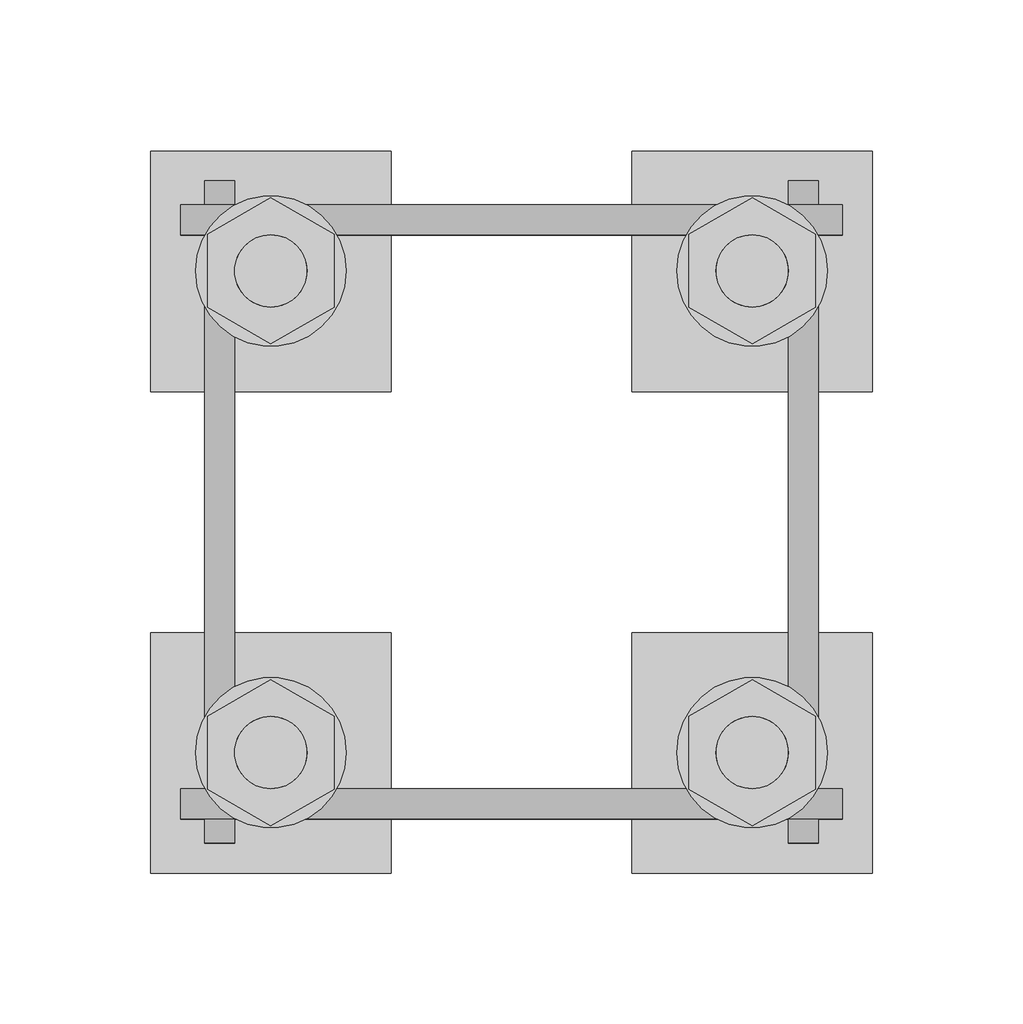
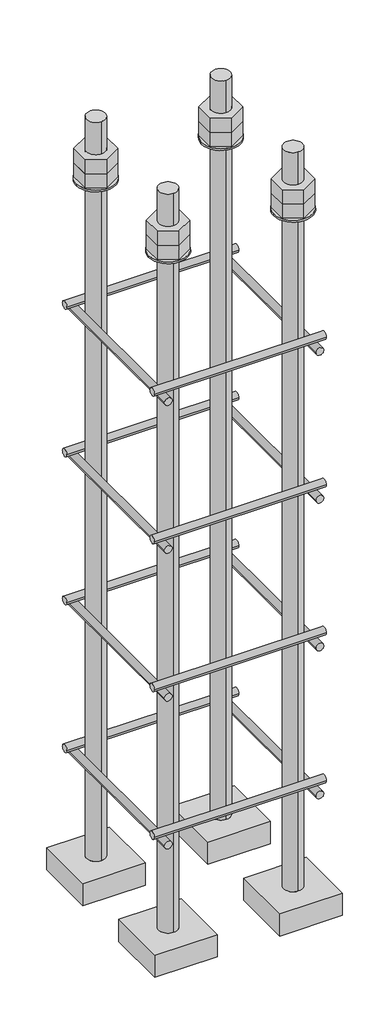
# One storey, part 22 of 66: 1 fastener.
"""IFC4 building model written with IfcOpenShell, lengths in millimetres."""

from ifc_helpers import new_model, si_unit, point, frame, frame_2d, origin, place, context, project, spatial, polyline, circle_curve, trimmed, segment, composite_curve, outline, extrude, element, save
from ifc_brep_helpers import plane_surface, cylinder_surface, advanced_brep

model = new_model("IFC4")

# Units and contexts
model_context = context("Model", 3, world=origin())
ifc_project = project(units=[si_unit("LENGTHUNIT", "METRE", prefix="MILLI")], contexts=[model_context])

# Site, building, storey
site = spatial("IfcSite", under=ifc_project)
building = spatial("IfcBuilding", under=site)
storey = spatial("IfcBuildingStorey", under=building, Elevation=9070.0)

# Fastener
placement = place(None, origin())
element("IfcFastener", 1, ObjectType="AU1 : AU-01", at=placement, inside=storey, context=model_context, shape_type="SolidModel", body=[
    extrude(outline(composite_curve([segment(trimmed(circle_curve(frame_2d((11343.0, 8595.0)), 5.0), [point((11338.0, 8595.0))], [point((11348.0, 8595.0))], False, "CARTESIAN"), True, "CONTINUOUS"), segment(trimmed(circle_curve(frame_2d((11343.0, 8595.0)), 5.0), [point((11348.0, 8595.0))], [point((11338.0, 8595.0))], False, "CARTESIAN"), True, "CONTINUOUS")], self_intersect=False)), frame((53040.0, 0.0, 0.0), z_axis=(1.0, 0.0, 0.0), x_axis=(0.0, 1.0, 0.0)), (0.0, 0.0, 1.0), 220.0),
    extrude(outline(composite_curve([segment(trimmed(circle_curve(frame_2d((11537.0, 8595.0)), 5.0), [point((11542.0, 8595.0))], [point((11532.0, 8595.0))], False, "CARTESIAN"), True, "CONTINUOUS"), segment(trimmed(circle_curve(frame_2d((11537.0, 8595.0)), 5.0), [point((11532.0, 8595.0))], [point((11542.0, 8595.0))], False, "CARTESIAN"), True, "CONTINUOUS")], self_intersect=False)), frame((53040.0, 0.0, 0.0), z_axis=(1.0, 0.0, 0.0), x_axis=(0.0, 1.0, 0.0)), (0.0, 0.0, 1.0), 220.0),
    extrude(outline(composite_curve([segment(trimmed(circle_curve(frame_2d((8585.0, 53053.0)), 5.0), [point((8585.0, 53048.0))], [point((8585.0, 53058.0))], False, "CARTESIAN"), True, "CONTINUOUS"), segment(trimmed(circle_curve(frame_2d((8585.0, 53053.0)), 5.0), [point((8585.0, 53058.0))], [point((8585.0, 53048.0))], False, "CARTESIAN"), True, "CONTINUOUS")], self_intersect=False)), frame((0.0, 11330.0, 0.0), z_axis=(0.0, 1.0, 0.0), x_axis=(0.0, 0.0, 1.0)), (0.0, 0.0, 1.0), 220.0),
    extrude(outline(composite_curve([segment(trimmed(circle_curve(frame_2d((8585.0, 53247.0)), 5.0), [point((8585.0, 53252.0))], [point((8585.0, 53242.0))], False, "CARTESIAN"), True, "CONTINUOUS"), segment(trimmed(circle_curve(frame_2d((8585.0, 53247.0)), 5.0), [point((8585.0, 53242.0))], [point((8585.0, 53252.0))], False, "CARTESIAN"), True, "CONTINUOUS")], self_intersect=False)), frame((0.0, 11330.0, 0.0), z_axis=(0.0, 1.0, 0.0), x_axis=(0.0, 0.0, 1.0)), (0.0, 0.0, 1.0), 220.0),
    extrude(outline(composite_curve([segment(trimmed(circle_curve(frame_2d((11343.0, 8795.0)), 5.0), [point((11338.0, 8795.0))], [point((11348.0, 8795.0))], False, "CARTESIAN"), True, "CONTINUOUS"), segment(trimmed(circle_curve(frame_2d((11343.0, 8795.0)), 5.0), [point((11348.0, 8795.0))], [point((11338.0, 8795.0))], False, "CARTESIAN"), True, "CONTINUOUS")], self_intersect=False)), frame((53040.0, 0.0, 0.0), z_axis=(1.0, 0.0, 0.0), x_axis=(0.0, 1.0, 0.0)), (0.0, 0.0, 1.0), 220.0),
    extrude(outline(composite_curve([segment(trimmed(circle_curve(frame_2d((11537.0, 8795.0)), 5.0), [point((11542.0, 8795.0))], [point((11532.0, 8795.0))], False, "CARTESIAN"), True, "CONTINUOUS"), segment(trimmed(circle_curve(frame_2d((11537.0, 8795.0)), 5.0), [point((11532.0, 8795.0))], [point((11542.0, 8795.0))], False, "CARTESIAN"), True, "CONTINUOUS")], self_intersect=False)), frame((53040.0, 0.0, 0.0), z_axis=(1.0, 0.0, 0.0), x_axis=(0.0, 1.0, 0.0)), (0.0, 0.0, 1.0), 220.0),
    extrude(outline(composite_curve([segment(trimmed(circle_curve(frame_2d((8785.0, 53053.0)), 5.0), [point((8785.0, 53048.0))], [point((8785.0, 53058.0))], False, "CARTESIAN"), True, "CONTINUOUS"), segment(trimmed(circle_curve(frame_2d((8785.0, 53053.0)), 5.0), [point((8785.0, 53058.0))], [point((8785.0, 53048.0))], False, "CARTESIAN"), True, "CONTINUOUS")], self_intersect=False)), frame((0.0, 11330.0, 0.0), z_axis=(0.0, 1.0, 0.0), x_axis=(0.0, 0.0, 1.0)), (0.0, 0.0, 1.0), 220.0),
    extrude(outline(composite_curve([segment(trimmed(circle_curve(frame_2d((8785.0, 53247.0)), 5.0), [point((8785.0, 53252.0))], [point((8785.0, 53242.0))], False, "CARTESIAN"), True, "CONTINUOUS"), segment(trimmed(circle_curve(frame_2d((8785.0, 53247.0)), 5.0), [point((8785.0, 53242.0))], [point((8785.0, 53252.0))], False, "CARTESIAN"), True, "CONTINUOUS")], self_intersect=False)), frame((0.0, 11330.0, 0.0), z_axis=(0.0, 1.0, 0.0), x_axis=(0.0, 0.0, 1.0)), (0.0, 0.0, 1.0), 220.0),
    extrude(outline(composite_curve([segment(trimmed(circle_curve(frame_2d((11343.0, 8995.0)), 5.0), [point((11338.0, 8995.0))], [point((11348.0, 8995.0))], False, "CARTESIAN"), True, "CONTINUOUS"), segment(trimmed(circle_curve(frame_2d((11343.0, 8995.0)), 5.0), [point((11348.0, 8995.0))], [point((11338.0, 8995.0))], False, "CARTESIAN"), True, "CONTINUOUS")], self_intersect=False)), frame((53040.0, 0.0, 0.0), z_axis=(1.0, 0.0, 0.0), x_axis=(0.0, 1.0, 0.0)), (0.0, 0.0, 1.0), 220.0),
    extrude(outline(composite_curve([segment(trimmed(circle_curve(frame_2d((11537.0, 8995.0)), 5.0), [point((11542.0, 8995.0))], [point((11532.0, 8995.0))], False, "CARTESIAN"), True, "CONTINUOUS"), segment(trimmed(circle_curve(frame_2d((11537.0, 8995.0)), 5.0), [point((11532.0, 8995.0))], [point((11542.0, 8995.0))], False, "CARTESIAN"), True, "CONTINUOUS")], self_intersect=False)), frame((53040.0, 0.0, 0.0), z_axis=(1.0, 0.0, 0.0), x_axis=(0.0, 1.0, 0.0)), (0.0, 0.0, 1.0), 220.0),
    extrude(outline(composite_curve([segment(trimmed(circle_curve(frame_2d((8985.0, 53053.0)), 5.0), [point((8985.0, 53048.0))], [point((8985.0, 53058.0))], False, "CARTESIAN"), True, "CONTINUOUS"), segment(trimmed(circle_curve(frame_2d((8985.0, 53053.0)), 5.0), [point((8985.0, 53058.0))], [point((8985.0, 53048.0))], False, "CARTESIAN"), True, "CONTINUOUS")], self_intersect=False)), frame((0.0, 11330.0, 0.0), z_axis=(0.0, 1.0, 0.0), x_axis=(0.0, 0.0, 1.0)), (0.0, 0.0, 1.0), 220.0),
    extrude(outline(composite_curve([segment(trimmed(circle_curve(frame_2d((8985.0, 53247.0)), 5.0), [point((8985.0, 53252.0))], [point((8985.0, 53242.0))], False, "CARTESIAN"), True, "CONTINUOUS"), segment(trimmed(circle_curve(frame_2d((8985.0, 53247.0)), 5.0), [point((8985.0, 53242.0))], [point((8985.0, 53252.0))], False, "CARTESIAN"), True, "CONTINUOUS")], self_intersect=False)), frame((0.0, 11330.0, 0.0), z_axis=(0.0, 1.0, 0.0), x_axis=(0.0, 0.0, 1.0)), (0.0, 0.0, 1.0), 220.0),
    extrude(outline(composite_curve([segment(trimmed(circle_curve(frame_2d((11343.0, 9195.0)), 5.0), [point((11338.0, 9195.0))], [point((11348.0, 9195.0))], False, "CARTESIAN"), True, "CONTINUOUS"), segment(trimmed(circle_curve(frame_2d((11343.0, 9195.0)), 5.0), [point((11348.0, 9195.0))], [point((11338.0, 9195.0))], False, "CARTESIAN"), True, "CONTINUOUS")], self_intersect=False)), frame((53040.0, 0.0, 0.0), z_axis=(1.0, 0.0, 0.0), x_axis=(0.0, 1.0, 0.0)), (0.0, 0.0, 1.0), 220.0),
    extrude(outline(composite_curve([segment(trimmed(circle_curve(frame_2d((11537.0, 9195.0)), 5.0), [point((11542.0, 9195.0))], [point((11532.0, 9195.0))], False, "CARTESIAN"), True, "CONTINUOUS"), segment(trimmed(circle_curve(frame_2d((11537.0, 9195.0)), 5.0), [point((11532.0, 9195.0))], [point((11542.0, 9195.0))], False, "CARTESIAN"), True, "CONTINUOUS")], self_intersect=False)), frame((53040.0, 0.0, 0.0), z_axis=(1.0, 0.0, 0.0), x_axis=(0.0, 1.0, 0.0)), (0.0, 0.0, 1.0), 220.0),
    extrude(outline(composite_curve([segment(trimmed(circle_curve(frame_2d((9185.0, 53053.0)), 5.0), [point((9185.0, 53048.0))], [point((9185.0, 53058.0))], False, "CARTESIAN"), True, "CONTINUOUS"), segment(trimmed(circle_curve(frame_2d((9185.0, 53053.0)), 5.0), [point((9185.0, 53058.0))], [point((9185.0, 53048.0))], False, "CARTESIAN"), True, "CONTINUOUS")], self_intersect=False)), frame((0.0, 11330.0, 0.0), z_axis=(0.0, 1.0, 0.0), x_axis=(0.0, 0.0, 1.0)), (0.0, 0.0, 1.0), 220.0),
    extrude(outline(composite_curve([segment(trimmed(circle_curve(frame_2d((9185.0, 53247.0)), 5.0), [point((9185.0, 53252.0))], [point((9185.0, 53242.0))], False, "CARTESIAN"), True, "CONTINUOUS"), segment(trimmed(circle_curve(frame_2d((9185.0, 53247.0)), 5.0), [point((9185.0, 53242.0))], [point((9185.0, 53252.0))], False, "CARTESIAN"), True, "CONTINUOUS")], self_intersect=False)), frame((0.0, 11330.0, 0.0), z_axis=(0.0, 1.0, 0.0), x_axis=(0.0, 0.0, 1.0)), (0.0, 0.0, 1.0), 220.0),
    advanced_brep(
    [(53110.0, 11560.0, 8450.0), (53030.0, 11560.0, 8450.0), (53030.0, 11480.0, 8450.0), (53110.0, 11480.0, 8450.0), (53070.0, 11508.0, 8450.0), (53070.0, 11532.0, 8450.0), (53110.0, 11560.0, 8420.0), (53110.0, 11480.0, 8420.0), (53030.0, 11480.0, 8420.0), (53030.0, 11560.0, 8420.0), (53070.0, 11532.0, 9450.0), (53070.0, 11508.0, 9450.0)],
    [
        (0, 1),
        (1, 2),
        (2, 3),
        (3, 0),
        (4, 5, circle_curve(frame((53070.0, 11520.0, 8450.0), z_axis=(0.0, 0.0, -1.0), x_axis=(0.0, -1.0, 0.0)), 12.0)),
        (5, 4, circle_curve(frame((53070.0, 11520.0, 8450.0), z_axis=(0.0, 0.0, -1.0), x_axis=(0.0, -1.0, 0.0)), 12.0)),
        (6, 7),
        (7, 8),
        (8, 9),
        (9, 6),
        (0, 6),
        (9, 1),
        (8, 2),
        (7, 3),
        (10, 11, circle_curve(frame((53070.0, 11520.0, 9450.0), z_axis=(0.0, 0.0, 1.0), x_axis=(0.0, -1.0, 0.0)), 12.0)),
        (11, 10, circle_curve(frame((53070.0, 11520.0, 9450.0), z_axis=(0.0, 0.0, 1.0), x_axis=(0.0, -1.0, 0.0)), 12.0)),
        (10, 5),
        (4, 11),
    ],
    [
        plane_surface(frame((53030.0, 11560.0, 8450.0), z_axis=(0.0, 0.0, 1.0), x_axis=(-1.0, 0.0, 0.0))),
        plane_surface(frame((53030.0, 11560.0, 8420.0), z_axis=(0.0, 0.0, -1.0), x_axis=(1.0, 0.0, 0.0))),
        plane_surface(frame((53110.0, 11560.0, 8450.0), z_axis=(0.0, 1.0, 0.0), x_axis=(0.0, 0.0, -1.0))),
        plane_surface(frame((53030.0, 11560.0, 8450.0), z_axis=(-1.0, 0.0, 0.0), x_axis=(0.0, 0.0, -1.0))),
        plane_surface(frame((53030.0, 11480.0, 8450.0), z_axis=(0.0, -1.0, 0.0), x_axis=(0.0, 0.0, -1.0))),
        plane_surface(frame((53110.0, 11480.0, 8450.0), z_axis=(1.0, 0.0, 0.0), x_axis=(0.0, 0.0, -1.0))),
        plane_surface(frame((53070.0, 11520.0, 9450.0), z_axis=(0.0, 0.0, 1.0), x_axis=(0.0, -1.0, 0.0))),
        cylinder_surface(frame((53070.0, 11520.0, 9450.0), z_axis=(0.0, 0.0, 1.0), x_axis=(0.0, -1.0, 0.0)), 12.0),
    ],
    [
        (0, [[1, 2, 3, 4], [5, 6]]),
        (1, [[7, 8, 9, 10]]),
        (2, [[-1, 11, -10, 12]]),
        (3, [[-2, -12, -9, 13]]),
        (4, [[-3, -13, -8, 14]]),
        (5, [[-4, -14, -7, -11]]),
        (6, [[15, 16]]),
        (7, [[-15, 17, -5, 18]]),
        (7, [[-16, -18, -6, -17]]),
    ],
),
    extrude(outline(composite_curve([segment(trimmed(circle_curve(frame_2d((53070.0, 11520.0)), 25.0), [point((53095.0, 11520.0))], [point((53045.0, 11520.0))], False, "CARTESIAN"), True, "CONTINUOUS"), segment(trimmed(circle_curve(frame_2d((53070.0, 11520.0)), 25.0), [point((53045.0, 11520.0))], [point((53095.0, 11520.0))], False, "CARTESIAN"), True, "CONTINUOUS")], self_intersect=False), holes=[composite_curve([segment(trimmed(circle_curve(frame_2d((53070.0, 11520.0)), 12.0), [point((53082.0, 11520.0))], [point((53058.0, 11520.0))], True, "CARTESIAN"), True, "CONTINUOUS"), segment(trimmed(circle_curve(frame_2d((53070.0, 11520.0)), 12.0), [point((53058.0, 11520.0))], [point((53082.0, 11520.0))], True, "CARTESIAN"), True, "CONTINUOUS")], self_intersect=False)]), frame((0.0, 0.0, 9365.0), z_axis=(0.0, 0.0, 1.0), x_axis=(1.0, 0.0, 0.0)), (0.0, 0.0, 1.0), 2.5),
    extrude(outline(polyline([(53070.0, 11544.2487113), (53091.0, 11532.1243557), (53091.0, 11507.8756443), (53070.0, 11495.7512887), (53049.0, 11507.8756443), (53049.0, 11532.1243557), (53070.0, 11544.2487113)]), holes=[composite_curve([segment(trimmed(circle_curve(frame_2d((53070.0, 11520.0)), 12.0), [point((53082.0, 11520.0))], [point((53058.0, 11520.0))], True, "CARTESIAN"), True, "CONTINUOUS"), segment(trimmed(circle_curve(frame_2d((53070.0, 11520.0)), 12.0), [point((53058.0, 11520.0))], [point((53082.0, 11520.0))], True, "CARTESIAN"), True, "CONTINUOUS")], self_intersect=False)]), frame((0.0, 0.0, 9387.0), z_axis=(0.0, 0.0, 1.0), x_axis=(1.0, 0.0, 0.0)), (0.0, 0.0, 1.0), 19.5),
    extrude(outline(polyline([(53070.0, 11544.2487113), (53091.0, 11532.1243557), (53091.0, 11507.8756443), (53070.0, 11495.7512887), (53049.0, 11507.8756443), (53049.0, 11532.1243557), (53070.0, 11544.2487113)]), holes=[composite_curve([segment(trimmed(circle_curve(frame_2d((53070.0, 11520.0)), 12.0), [point((53082.0, 11520.0))], [point((53058.0, 11520.0))], True, "CARTESIAN"), True, "CONTINUOUS"), segment(trimmed(circle_curve(frame_2d((53070.0, 11520.0)), 12.0), [point((53058.0, 11520.0))], [point((53082.0, 11520.0))], True, "CARTESIAN"), True, "CONTINUOUS")], self_intersect=False)]), frame((0.0, 0.0, 9367.5), z_axis=(0.0, 0.0, 1.0), x_axis=(1.0, 0.0, 0.0)), (0.0, 0.0, 1.0), 19.5),
    advanced_brep(
    [(53190.0, 11480.0, 8450.0), (53270.0, 11480.0, 8450.0), (53270.0, 11560.0, 8450.0), (53190.0, 11560.0, 8450.0), (53230.0, 11532.0, 8450.0), (53230.0, 11508.0, 8450.0), (53190.0, 11480.0, 8420.0), (53190.0, 11560.0, 8420.0), (53270.0, 11560.0, 8420.0), (53270.0, 11480.0, 8420.0), (53230.0, 11508.0, 9450.0), (53230.0, 11532.0, 9450.0)],
    [
        (0, 1),
        (1, 2),
        (2, 3),
        (3, 0),
        (4, 5, circle_curve(frame((53230.0, 11520.0, 8450.0), z_axis=(0.0, 0.0, -1.0), x_axis=(0.0, 1.0, 0.0)), 12.0)),
        (5, 4, circle_curve(frame((53230.0, 11520.0, 8450.0), z_axis=(0.0, 0.0, -1.0), x_axis=(0.0, 1.0, 0.0)), 12.0)),
        (6, 7),
        (7, 8),
        (8, 9),
        (9, 6),
        (0, 6),
        (9, 1),
        (8, 2),
        (7, 3),
        (10, 11, circle_curve(frame((53230.0, 11520.0, 9450.0), z_axis=(0.0, 0.0, 1.0), x_axis=(0.0, 1.0, 0.0)), 12.0)),
        (11, 10, circle_curve(frame((53230.0, 11520.0, 9450.0), z_axis=(0.0, 0.0, 1.0), x_axis=(0.0, 1.0, 0.0)), 12.0)),
        (10, 5),
        (4, 11),
    ],
    [
        plane_surface(frame((53270.0, 11480.0, 8450.0), z_axis=(0.0, 0.0, 1.0), x_axis=(1.0, 0.0, 0.0))),
        plane_surface(frame((53270.0, 11480.0, 8420.0), z_axis=(0.0, 0.0, -1.0), x_axis=(-1.0, 0.0, 0.0))),
        plane_surface(frame((53190.0, 11480.0, 8450.0), z_axis=(0.0, -1.0, 0.0), x_axis=(0.0, 0.0, -1.0))),
        plane_surface(frame((53270.0, 11480.0, 8450.0), z_axis=(1.0, 0.0, 0.0), x_axis=(0.0, 0.0, -1.0))),
        plane_surface(frame((53270.0, 11560.0, 8450.0), z_axis=(0.0, 1.0, 0.0), x_axis=(0.0, 0.0, -1.0))),
        plane_surface(frame((53190.0, 11560.0, 8450.0), z_axis=(-1.0, 0.0, 0.0), x_axis=(0.0, 0.0, -1.0))),
        plane_surface(frame((53230.0, 11520.0, 9450.0), z_axis=(0.0, 0.0, 1.0), x_axis=(0.0, 1.0, 0.0))),
        cylinder_surface(frame((53230.0, 11520.0, 9450.0), z_axis=(0.0, 0.0, 1.0), x_axis=(0.0, 1.0, 0.0)), 12.0),
    ],
    [
        (0, [[1, 2, 3, 4], [5, 6]]),
        (1, [[7, 8, 9, 10]]),
        (2, [[-1, 11, -10, 12]]),
        (3, [[-2, -12, -9, 13]]),
        (4, [[-3, -13, -8, 14]]),
        (5, [[-4, -14, -7, -11]]),
        (6, [[15, 16]]),
        (7, [[-15, 17, -5, 18]]),
        (7, [[-16, -18, -6, -17]]),
    ],
),
    extrude(outline(composite_curve([segment(trimmed(circle_curve(frame_2d((53230.0, 11520.0)), 25.0), [point((53205.0, 11520.0))], [point((53255.0, 11520.0))], False, "CARTESIAN"), True, "CONTINUOUS"), segment(trimmed(circle_curve(frame_2d((53230.0, 11520.0)), 25.0), [point((53255.0, 11520.0))], [point((53205.0, 11520.0))], False, "CARTESIAN"), True, "CONTINUOUS")], self_intersect=False), holes=[composite_curve([segment(trimmed(circle_curve(frame_2d((53230.0, 11520.0)), 12.0), [point((53218.0, 11520.0))], [point((53242.0, 11520.0))], True, "CARTESIAN"), True, "CONTINUOUS"), segment(trimmed(circle_curve(frame_2d((53230.0, 11520.0)), 12.0), [point((53242.0, 11520.0))], [point((53218.0, 11520.0))], True, "CARTESIAN"), True, "CONTINUOUS")], self_intersect=False)]), frame((0.0, 0.0, 9365.0), z_axis=(0.0, 0.0, 1.0), x_axis=(1.0, 0.0, 0.0)), (0.0, 0.0, 1.0), 2.5),
    extrude(outline(polyline([(53230.0, 11495.7512887), (53209.0, 11507.8756443), (53209.0, 11532.1243557), (53230.0, 11544.2487113), (53251.0, 11532.1243557), (53251.0, 11507.8756443), (53230.0, 11495.7512887)]), holes=[composite_curve([segment(trimmed(circle_curve(frame_2d((53230.0, 11520.0)), 12.0), [point((53218.0, 11520.0))], [point((53242.0, 11520.0))], True, "CARTESIAN"), True, "CONTINUOUS"), segment(trimmed(circle_curve(frame_2d((53230.0, 11520.0)), 12.0), [point((53242.0, 11520.0))], [point((53218.0, 11520.0))], True, "CARTESIAN"), True, "CONTINUOUS")], self_intersect=False)]), frame((0.0, 0.0, 9387.0), z_axis=(0.0, 0.0, 1.0), x_axis=(1.0, 0.0, 0.0)), (0.0, 0.0, 1.0), 19.5),
    extrude(outline(polyline([(53230.0, 11495.7512887), (53209.0, 11507.8756443), (53209.0, 11532.1243557), (53230.0, 11544.2487113), (53251.0, 11532.1243557), (53251.0, 11507.8756443), (53230.0, 11495.7512887)]), holes=[composite_curve([segment(trimmed(circle_curve(frame_2d((53230.0, 11520.0)), 12.0), [point((53218.0, 11520.0))], [point((53242.0, 11520.0))], True, "CARTESIAN"), True, "CONTINUOUS"), segment(trimmed(circle_curve(frame_2d((53230.0, 11520.0)), 12.0), [point((53242.0, 11520.0))], [point((53218.0, 11520.0))], True, "CARTESIAN"), True, "CONTINUOUS")], self_intersect=False)]), frame((0.0, 0.0, 9367.5), z_axis=(0.0, 0.0, 1.0), x_axis=(1.0, 0.0, 0.0)), (0.0, 0.0, 1.0), 19.5),
    advanced_brep(
    [(53190.0, 11320.0, 8450.0), (53270.0, 11320.0, 8450.0), (53270.0, 11400.0, 8450.0), (53190.0, 11400.0, 8450.0), (53230.0, 11372.0, 8450.0), (53230.0, 11348.0, 8450.0), (53190.0, 11320.0, 8420.0), (53190.0, 11400.0, 8420.0), (53270.0, 11400.0, 8420.0), (53270.0, 11320.0, 8420.0), (53230.0, 11348.0, 9450.0), (53230.0, 11372.0, 9450.0)],
    [
        (0, 1),
        (1, 2),
        (2, 3),
        (3, 0),
        (4, 5, circle_curve(frame((53230.0, 11360.0, 8450.0), z_axis=(0.0, 0.0, -1.0), x_axis=(0.0, 1.0, 0.0)), 12.0)),
        (5, 4, circle_curve(frame((53230.0, 11360.0, 8450.0), z_axis=(0.0, 0.0, -1.0), x_axis=(0.0, 1.0, 0.0)), 12.0)),
        (6, 7),
        (7, 8),
        (8, 9),
        (9, 6),
        (0, 6),
        (9, 1),
        (8, 2),
        (7, 3),
        (10, 11, circle_curve(frame((53230.0, 11360.0, 9450.0), z_axis=(0.0, 0.0, 1.0), x_axis=(0.0, 1.0, 0.0)), 12.0)),
        (11, 10, circle_curve(frame((53230.0, 11360.0, 9450.0), z_axis=(0.0, 0.0, 1.0), x_axis=(0.0, 1.0, 0.0)), 12.0)),
        (10, 5),
        (4, 11),
    ],
    [
        plane_surface(frame((53270.0, 11320.0, 8450.0), z_axis=(0.0, 0.0, 1.0), x_axis=(1.0, 0.0, 0.0))),
        plane_surface(frame((53270.0, 11320.0, 8420.0), z_axis=(0.0, 0.0, -1.0), x_axis=(-1.0, 0.0, 0.0))),
        plane_surface(frame((53190.0, 11320.0, 8450.0), z_axis=(0.0, -1.0, 0.0), x_axis=(0.0, 0.0, -1.0))),
        plane_surface(frame((53270.0, 11320.0, 8450.0), z_axis=(1.0, 0.0, 0.0), x_axis=(0.0, 0.0, -1.0))),
        plane_surface(frame((53270.0, 11400.0, 8450.0), z_axis=(0.0, 1.0, 0.0), x_axis=(0.0, 0.0, -1.0))),
        plane_surface(frame((53190.0, 11400.0, 8450.0), z_axis=(-1.0, 0.0, 0.0), x_axis=(0.0, 0.0, -1.0))),
        plane_surface(frame((53230.0, 11360.0, 9450.0), z_axis=(0.0, 0.0, 1.0), x_axis=(0.0, 1.0, 0.0))),
        cylinder_surface(frame((53230.0, 11360.0, 9450.0), z_axis=(0.0, 0.0, 1.0), x_axis=(0.0, 1.0, 0.0)), 12.0),
    ],
    [
        (0, [[1, 2, 3, 4], [5, 6]]),
        (1, [[7, 8, 9, 10]]),
        (2, [[-1, 11, -10, 12]]),
        (3, [[-2, -12, -9, 13]]),
        (4, [[-3, -13, -8, 14]]),
        (5, [[-4, -14, -7, -11]]),
        (6, [[15, 16]]),
        (7, [[-15, 17, -5, 18]]),
        (7, [[-16, -18, -6, -17]]),
    ],
),
    extrude(outline(composite_curve([segment(trimmed(circle_curve(frame_2d((53230.0, 11360.0)), 25.0), [point((53205.0, 11360.0))], [point((53255.0, 11360.0))], False, "CARTESIAN"), True, "CONTINUOUS"), segment(trimmed(circle_curve(frame_2d((53230.0, 11360.0)), 25.0), [point((53255.0, 11360.0))], [point((53205.0, 11360.0))], False, "CARTESIAN"), True, "CONTINUOUS")], self_intersect=False), holes=[composite_curve([segment(trimmed(circle_curve(frame_2d((53230.0, 11360.0)), 12.0), [point((53218.0, 11360.0))], [point((53242.0, 11360.0))], True, "CARTESIAN"), True, "CONTINUOUS"), segment(trimmed(circle_curve(frame_2d((53230.0, 11360.0)), 12.0), [point((53242.0, 11360.0))], [point((53218.0, 11360.0))], True, "CARTESIAN"), True, "CONTINUOUS")], self_intersect=False)]), frame((0.0, 0.0, 9365.0), z_axis=(0.0, 0.0, 1.0), x_axis=(1.0, 0.0, 0.0)), (0.0, 0.0, 1.0), 2.5),
    extrude(outline(polyline([(53230.0, 11335.7512887), (53209.0, 11347.8756443), (53209.0, 11372.1243557), (53230.0, 11384.2487113), (53251.0, 11372.1243557), (53251.0, 11347.8756443), (53230.0, 11335.7512887)]), holes=[composite_curve([segment(trimmed(circle_curve(frame_2d((53230.0, 11360.0)), 12.0), [point((53218.0, 11360.0))], [point((53242.0, 11360.0))], True, "CARTESIAN"), True, "CONTINUOUS"), segment(trimmed(circle_curve(frame_2d((53230.0, 11360.0)), 12.0), [point((53242.0, 11360.0))], [point((53218.0, 11360.0))], True, "CARTESIAN"), True, "CONTINUOUS")], self_intersect=False)]), frame((0.0, 0.0, 9387.0), z_axis=(0.0, 0.0, 1.0), x_axis=(1.0, 0.0, 0.0)), (0.0, 0.0, 1.0), 19.5),
    extrude(outline(polyline([(53230.0, 11335.7512887), (53209.0, 11347.8756443), (53209.0, 11372.1243557), (53230.0, 11384.2487113), (53251.0, 11372.1243557), (53251.0, 11347.8756443), (53230.0, 11335.7512887)]), holes=[composite_curve([segment(trimmed(circle_curve(frame_2d((53230.0, 11360.0)), 12.0), [point((53218.0, 11360.0))], [point((53242.0, 11360.0))], True, "CARTESIAN"), True, "CONTINUOUS"), segment(trimmed(circle_curve(frame_2d((53230.0, 11360.0)), 12.0), [point((53242.0, 11360.0))], [point((53218.0, 11360.0))], True, "CARTESIAN"), True, "CONTINUOUS")], self_intersect=False)]), frame((0.0, 0.0, 9367.5), z_axis=(0.0, 0.0, 1.0), x_axis=(1.0, 0.0, 0.0)), (0.0, 0.0, 1.0), 19.5),
    advanced_brep(
    [(53110.0, 11400.0, 8450.0), (53030.0, 11400.0, 8450.0), (53030.0, 11320.0, 8450.0), (53110.0, 11320.0, 8450.0), (53070.0, 11348.0, 8450.0), (53070.0, 11372.0, 8450.0), (53110.0, 11400.0, 8420.0), (53110.0, 11320.0, 8420.0), (53030.0, 11320.0, 8420.0), (53030.0, 11400.0, 8420.0), (53070.0, 11372.0, 9450.0), (53070.0, 11348.0, 9450.0)],
    [
        (0, 1),
        (1, 2),
        (2, 3),
        (3, 0),
        (4, 5, circle_curve(frame((53070.0, 11360.0, 8450.0), z_axis=(0.0, 0.0, -1.0), x_axis=(0.0, -1.0, 0.0)), 12.0)),
        (5, 4, circle_curve(frame((53070.0, 11360.0, 8450.0), z_axis=(0.0, 0.0, -1.0), x_axis=(0.0, -1.0, 0.0)), 12.0)),
        (6, 7),
        (7, 8),
        (8, 9),
        (9, 6),
        (0, 6),
        (9, 1),
        (8, 2),
        (7, 3),
        (10, 11, circle_curve(frame((53070.0, 11360.0, 9450.0), z_axis=(0.0, 0.0, 1.0), x_axis=(0.0, -1.0, 0.0)), 12.0)),
        (11, 10, circle_curve(frame((53070.0, 11360.0, 9450.0), z_axis=(0.0, 0.0, 1.0), x_axis=(0.0, -1.0, 0.0)), 12.0)),
        (10, 5),
        (4, 11),
    ],
    [
        plane_surface(frame((53030.0, 11400.0, 8450.0), z_axis=(0.0, 0.0, 1.0), x_axis=(-1.0, 0.0, 0.0))),
        plane_surface(frame((53030.0, 11400.0, 8420.0), z_axis=(0.0, 0.0, -1.0), x_axis=(1.0, 0.0, 0.0))),
        plane_surface(frame((53110.0, 11400.0, 8450.0), z_axis=(0.0, 1.0, 0.0), x_axis=(0.0, 0.0, -1.0))),
        plane_surface(frame((53030.0, 11400.0, 8450.0), z_axis=(-1.0, 0.0, 0.0), x_axis=(0.0, 0.0, -1.0))),
        plane_surface(frame((53030.0, 11320.0, 8450.0), z_axis=(0.0, -1.0, 0.0), x_axis=(0.0, 0.0, -1.0))),
        plane_surface(frame((53110.0, 11320.0, 8450.0), z_axis=(1.0, 0.0, 0.0), x_axis=(0.0, 0.0, -1.0))),
        plane_surface(frame((53070.0, 11360.0, 9450.0), z_axis=(0.0, 0.0, 1.0), x_axis=(0.0, -1.0, 0.0))),
        cylinder_surface(frame((53070.0, 11360.0, 9450.0), z_axis=(0.0, 0.0, 1.0), x_axis=(0.0, -1.0, 0.0)), 12.0),
    ],
    [
        (0, [[1, 2, 3, 4], [5, 6]]),
        (1, [[7, 8, 9, 10]]),
        (2, [[-1, 11, -10, 12]]),
        (3, [[-2, -12, -9, 13]]),
        (4, [[-3, -13, -8, 14]]),
        (5, [[-4, -14, -7, -11]]),
        (6, [[15, 16]]),
        (7, [[-15, 17, -5, 18]]),
        (7, [[-16, -18, -6, -17]]),
    ],
),
    extrude(outline(composite_curve([segment(trimmed(circle_curve(frame_2d((53070.0, 11360.0)), 25.0), [point((53095.0, 11360.0))], [point((53045.0, 11360.0))], False, "CARTESIAN"), True, "CONTINUOUS"), segment(trimmed(circle_curve(frame_2d((53070.0, 11360.0)), 25.0), [point((53045.0, 11360.0))], [point((53095.0, 11360.0))], False, "CARTESIAN"), True, "CONTINUOUS")], self_intersect=False), holes=[composite_curve([segment(trimmed(circle_curve(frame_2d((53070.0, 11360.0)), 12.0), [point((53082.0, 11360.0))], [point((53058.0, 11360.0))], True, "CARTESIAN"), True, "CONTINUOUS"), segment(trimmed(circle_curve(frame_2d((53070.0, 11360.0)), 12.0), [point((53058.0, 11360.0))], [point((53082.0, 11360.0))], True, "CARTESIAN"), True, "CONTINUOUS")], self_intersect=False)]), frame((0.0, 0.0, 9365.0), z_axis=(0.0, 0.0, 1.0), x_axis=(1.0, 0.0, 0.0)), (0.0, 0.0, 1.0), 2.5),
    extrude(outline(polyline([(53070.0, 11384.2487113), (53091.0, 11372.1243557), (53091.0, 11347.8756443), (53070.0, 11335.7512887), (53049.0, 11347.8756443), (53049.0, 11372.1243557), (53070.0, 11384.2487113)]), holes=[composite_curve([segment(trimmed(circle_curve(frame_2d((53070.0, 11360.0)), 12.0), [point((53082.0, 11360.0))], [point((53058.0, 11360.0))], True, "CARTESIAN"), True, "CONTINUOUS"), segment(trimmed(circle_curve(frame_2d((53070.0, 11360.0)), 12.0), [point((53058.0, 11360.0))], [point((53082.0, 11360.0))], True, "CARTESIAN"), True, "CONTINUOUS")], self_intersect=False)]), frame((0.0, 0.0, 9387.0), z_axis=(0.0, 0.0, 1.0), x_axis=(1.0, 0.0, 0.0)), (0.0, 0.0, 1.0), 19.5),
    extrude(outline(polyline([(53070.0, 11384.2487113), (53091.0, 11372.1243557), (53091.0, 11347.8756443), (53070.0, 11335.7512887), (53049.0, 11347.8756443), (53049.0, 11372.1243557), (53070.0, 11384.2487113)]), holes=[composite_curve([segment(trimmed(circle_curve(frame_2d((53070.0, 11360.0)), 12.0), [point((53082.0, 11360.0))], [point((53058.0, 11360.0))], True, "CARTESIAN"), True, "CONTINUOUS"), segment(trimmed(circle_curve(frame_2d((53070.0, 11360.0)), 12.0), [point((53058.0, 11360.0))], [point((53082.0, 11360.0))], True, "CARTESIAN"), True, "CONTINUOUS")], self_intersect=False)]), frame((0.0, 0.0, 9367.5), z_axis=(0.0, 0.0, 1.0), x_axis=(1.0, 0.0, 0.0)), (0.0, 0.0, 1.0), 19.5),
])

save(model, "model.ifc")
